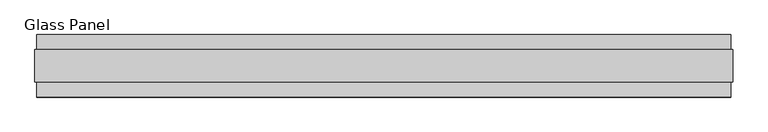
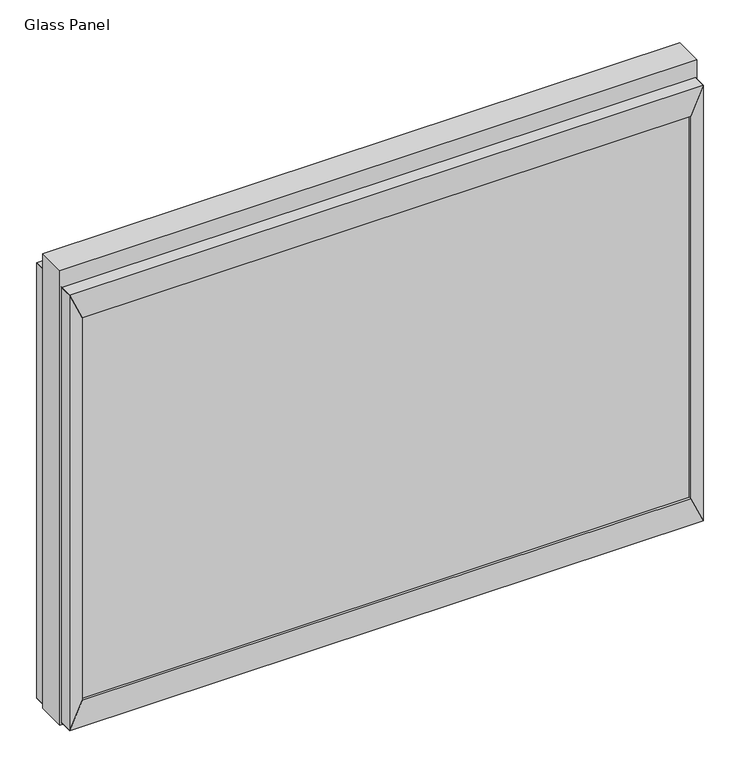
"""IFC4 building model written with IfcOpenShell, lengths in millimetres: plate geometry, Glass Panel."""

from ifc_helpers import new_model, si_unit, frame, origin, place, context, project, spatial, polyline, outline, extrude, source, transform, mapped, element, save


def glass_panel_7f874497(model_context):
    return source(origin(), model_context, "Body", "SweptSolid", [
        extrude(outline(polyline([(533.8064, -45.1096), (-533.8064, -45.1096), (-533.8064, -33.6796), (533.8064, -33.6796), (533.8064, -45.1096)])), frame((0.0, 0.0, 52.0065), z_axis=(0.0, 0.0, 1.0), x_axis=(1.0, 0.0, 0.0)), (0.0, 0.0, 1.0), 709.0029),
        extrude(outline(polyline([(533.8064, 33.9098), (-533.8064, 33.9098), (-533.8064, 45.3398), (533.8064, 45.3398), (533.8064, 33.9098)])), frame((0.0, 0.0, 52.0065), z_axis=(0.0, 0.0, 1.0), x_axis=(1.0, 0.0, 0.0)), (0.0, 0.0, 1.0), 709.0029),
        extrude(outline(polyline([(52.0065, 533.8064), (52.0065, -533.8064), (3.0099, -555.8028), (3.0099, 555.8028), (52.0065, 533.8064)])), frame((0.0, -49.9229, 0.0), z_axis=(0.0, 1.0, 0.0), x_axis=(0.0, 0.0, 1.0)), (0.0, 0.0, 1.0), 100.076),
        extrude(outline(polyline([(761.0094, 533.8064), (810.006, 555.8028), (810.006, -555.8028), (761.0094, -533.8064), (761.0094, 533.8064)])), frame((0.0, -49.9229, 0.0), z_axis=(0.0, 1.0, 0.0), x_axis=(0.0, 0.0, 1.0)), (0.0, 0.0, 1.0), 100.076),
        extrude(outline(polyline([(52.0065, 533.8064), (3.0099, 555.8028), (810.006, 555.8028), (761.0094, 533.8064), (52.0065, 533.8064)])), frame((0.0, -49.9229, 0.0), z_axis=(0.0, 1.0, 0.0), x_axis=(0.0, 0.0, 1.0)), (0.0, 0.0, 1.0), 100.076),
        extrude(outline(polyline([(52.0065, -533.8064), (761.0094, -533.8064), (810.006, -555.8028), (3.0099, -555.8028), (52.0065, -533.8064)])), frame((0.0, -49.9229, 0.0), z_axis=(0.0, 1.0, 0.0), x_axis=(0.0, 0.0, 1.0)), (0.0, 0.0, 1.0), 100.076),
        extrude(outline(polyline([(0.0, -558.8), (0.0, 558.8), (842.01, 558.8), (842.01, -558.8), (0.0, -558.8)]), holes=[polyline([(3.0099, 555.8028), (3.0099, -555.8028), (810.006, -555.8028), (810.006, 555.8028), (3.0099, 555.8028)])]), frame((0.0, -25.8818, 0.0), z_axis=(0.0, 1.0, 0.0), x_axis=(0.0, 0.0, 1.0)), (0.0, 0.0, 1.0), 51.9938),
    ])


if __name__ == "__main__":
    model = new_model("IFC4")
    model_context = context("Model", 3, world=origin())
    ifc_project = project(units=[si_unit("LENGTHUNIT", "METRE", prefix="MILLI")], contexts=[model_context])
    site = spatial("IfcSite", under=ifc_project)
    building = spatial("IfcBuilding", under=site)
    placement = place(None, origin())
    glass_panel_shape = glass_panel_7f874497(model_context)
    element("IfcPlate", 1, ObjectType="Glass Panel", at=placement, inside=building, context=model_context, shape_type="MappedRepresentation", body=[
        mapped(glass_panel_shape, transform((0.0, 0.0, 0.0), x_axis=(1.0, 0.0, 0.0), y_axis=(0.0, 1.0, 0.0), z_axis=(0.0, 0.0, 1.0))),
    ])
    save(model, "model.ifc")
